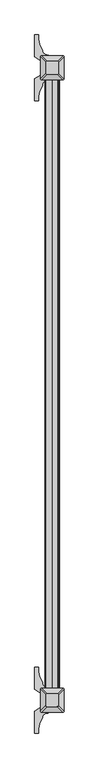
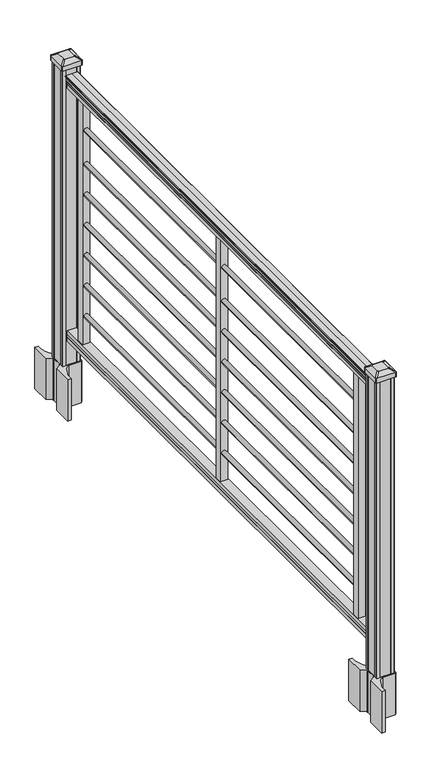
"""IFC4 building model written with IfcOpenShell, lengths in millimetres: railing geometry."""

from ifc_helpers import new_model, si_unit, point, frame, frame_2d, origin, origin_with_axes, place, context, project, spatial, polyline, circle_curve, trimmed, segment, composite_curve, outline, extrude, source, transform, mapped, element, save
from ifc_brep_helpers import plane_surface, extruded_surface, advanced_brep


def railing_204e7a7a(model_context):
    return source(origin(), model_context, "Body", "SolidModel", [
        extrude(outline(composite_curve([segment(polyline([(1043.8143297, 2185.0080205), (1045.702412, 2185.0080205)]), True, "CONTINUOUS"), segment(trimmed(circle_curve(frame_2d((1051.4606383, 2178.6932672)), 8.545951), [point((1045.702412, 2185.0080205))], [point((1047.2646695, 2186.1382068))], False, "CARTESIAN"), True, "CONTINUOUS"), segment(trimmed(circle_curve(frame_2d((1050.8736577, 2179.1303302)), 7.882584), [point((1047.2646695, 2186.1382068))], [point((1054.4826458, 2186.1382068))], False, "CARTESIAN"), True, "CONTINUOUS"), segment(trimmed(circle_curve(frame_2d((1056.7212527, 2189.6436543)), 4.1592695), [point((1054.4826458, 2186.1382068))], [point((1056.9160812, 2185.4889504))], True, "CARTESIAN"), True, "CONTINUOUS"), segment(trimmed(circle_curve(frame_2d((1056.6608864, 2190.9309609)), 5.4479907), [point((1056.9160812, 2185.4889504))], [point((1061.2462083, 2187.9889504))], True, "CARTESIAN"), True, "CONTINUOUS"), segment(trimmed(circle_curve(frame_2d((1061.243395, 2189.6978025)), 1.7088543), [point((1061.2462083, 2187.9889504))], [point((1062.9257972, 2189.3982929))], True, "CARTESIAN"), True, "CONTINUOUS"), segment(trimmed(circle_curve(frame_2d((1064.0305318, 2188.0809024)), 1.7192895), [point((1062.9257972, 2189.3982929))], [point((1064.0305318, 2189.8001919))], False, "CARTESIAN"), True, "CONTINUOUS"), segment(polyline([(1064.0305318, 2189.8001919), (1065.3708158, 2189.8001918)]), True, "CONTINUOUS"), segment(trimmed(circle_curve(frame_2d((1065.3708158, 2188.2467446)), 1.5534472), [point((1065.3708158, 2189.8001918))], [point((1066.924263, 2188.2467446))], False, "CARTESIAN"), True, "CONTINUOUS"), segment(polyline([(1066.924263, 2188.2467446), (1066.924263, 2167.5751918), (1066.924263, 2146.903639)]), True, "CONTINUOUS"), segment(trimmed(circle_curve(frame_2d((1065.3708158, 2146.903639)), 1.5534472), [point((1066.924263, 2146.903639))], [point((1065.3708158, 2145.3501918))], False, "CARTESIAN"), True, "CONTINUOUS"), segment(polyline([(1065.3708158, 2145.3501918), (1064.0305318, 2145.3501918)]), True, "CONTINUOUS"), segment(trimmed(circle_curve(frame_2d((1064.0305318, 2147.0694812)), 1.7192895), [point((1064.0305318, 2145.3501918))], [point((1062.9257972, 2145.7520907))], False, "CARTESIAN"), True, "CONTINUOUS"), segment(trimmed(circle_curve(frame_2d((1061.243395, 2145.4525811)), 1.7088543), [point((1062.9257972, 2145.7520907))], [point((1061.2462083, 2147.1614332))], True, "CARTESIAN"), True, "CONTINUOUS"), segment(trimmed(circle_curve(frame_2d((1056.6608864, 2144.2194227)), 5.4479907), [point((1061.2462083, 2147.1614332))], [point((1056.9160812, 2149.6614332))], True, "CARTESIAN"), True, "CONTINUOUS"), segment(trimmed(circle_curve(frame_2d((1056.7212527, 2145.5067292)), 4.1592695), [point((1056.9160812, 2149.6614332))], [point((1054.4826458, 2149.0121768))], True, "CARTESIAN"), True, "CONTINUOUS"), segment(trimmed(circle_curve(frame_2d((1050.8736577, 2156.0200534)), 7.882584), [point((1054.4826458, 2149.0121768))], [point((1047.2646695, 2149.0121768))], False, "CARTESIAN"), True, "CONTINUOUS"), segment(trimmed(circle_curve(frame_2d((1051.4606383, 2156.4571163)), 8.545951), [point((1047.2646695, 2149.0121768))], [point((1045.702412, 2150.1423631))], False, "CARTESIAN"), True, "CONTINUOUS"), segment(polyline([(1045.702412, 2150.1423631), (1043.8143297, 2150.1423631)]), True, "CONTINUOUS"), segment(trimmed(circle_curve(frame_2d((1043.8143297, 2151.4292774)), 1.2869144), [point((1043.8143297, 2150.1423631))], [point((1043.8143297, 2152.7161918))], False, "CARTESIAN"), True, "CONTINUOUS"), segment(polyline([(1043.8143297, 2152.7161918), (1033.3148283, 2152.7161918), (1032.2988283, 2151.7001918), (1019.81, 2151.7001918), (1019.81, 2183.4501918), (1032.141013, 2183.4501918), (1033.157013, 2182.4341918), (1043.8143297, 2182.4341918)]), True, "CONTINUOUS"), segment(trimmed(circle_curve(frame_2d((1043.8143297, 2183.7211062)), 1.2869144), [point((1043.8143297, 2182.4341918))], [point((1043.8143297, 2185.0080205))], False, "CARTESIAN"), True, "CONTINUOUS")], self_intersect=False)), frame((0.0, -141185.4908968, 0.0), z_axis=(0.0, 1.0, 0.0), x_axis=(0.0, 0.0, 1.0)), (0.0, 0.0, 1.0), 1828.8),
        extrude(outline(polyline([(100.9461976, 2183.4876787), (102.2466183, 2182.4716787), (112.6061717, 2182.4716787), (113.9544492, 2183.4876787), (126.4878781, 2183.4876787), (126.4878781, 2151.7376787), (113.9378024, 2151.7376787), (112.5895248, 2152.7536787), (102.2778283, 2152.7536787), (100.9295508, 2151.7376787), (88.392, 2151.7376787), (88.392, 2183.4876787), (100.9461976, 2183.4876787)])), frame((0.0, -141185.4908968, 0.0), z_axis=(0.0, 1.0, 0.0), x_axis=(0.0, 0.0, 1.0)), (0.0, 0.0, 1.0), 1828.8),
        extrude(outline(polyline([(2180.2751918, -139444.5748968), (2154.8751918, -139444.5748968), (2154.8751918, -139419.1748968), (2180.2751918, -139419.1748968), (2180.2751918, -139444.5748968)])), frame((0.0, 0.0, 126.4878781), z_axis=(0.0, 0.0, 1.0), x_axis=(1.0, 0.0, 0.0)), (0.0, 0.0, 1.0), 893.3221219),
        extrude(outline(composite_curve([segment(trimmed(circle_curve(frame_2d((913.5068781, 2167.2650299)), 8.001), [point((913.5068781, 2159.2640299))], [point((913.5068781, 2175.2660299))], False, "CARTESIAN"), True, "CONTINUOUS"), segment(trimmed(circle_curve(frame_2d((913.5068781, 2167.2650299)), 8.001), [point((913.5068781, 2175.2660299))], [point((913.5068781, 2159.2640299))], False, "CARTESIAN"), True, "CONTINUOUS")], self_intersect=False)), frame((0.0, -140253.3108968, 0.0), z_axis=(0.0, 1.0, 0.0), x_axis=(0.0, 0.0, 1.0)), (0.0, 0.0, 1.0), 812.8),
        extrude(outline(composite_curve([segment(trimmed(circle_curve(frame_2d((789.0468781, 2167.2650299)), 8.001), [point((789.0468781, 2159.2640299))], [point((789.0468781, 2175.2660299))], False, "CARTESIAN"), True, "CONTINUOUS"), segment(trimmed(circle_curve(frame_2d((789.0468781, 2167.2650299)), 8.001), [point((789.0468781, 2175.2660299))], [point((789.0468781, 2159.2640299))], False, "CARTESIAN"), True, "CONTINUOUS")], self_intersect=False)), frame((0.0, -140253.3108968, 0.0), z_axis=(0.0, 1.0, 0.0), x_axis=(0.0, 0.0, 1.0)), (0.0, 0.0, 1.0), 812.8),
        extrude(outline(composite_curve([segment(trimmed(circle_curve(frame_2d((677.2868781, 2167.2650299)), 8.001), [point((677.2868781, 2159.2640299))], [point((677.2868781, 2175.2660299))], False, "CARTESIAN"), True, "CONTINUOUS"), segment(trimmed(circle_curve(frame_2d((677.2868781, 2167.2650299)), 8.001), [point((677.2868781, 2175.2660299))], [point((677.2868781, 2159.2640299))], False, "CARTESIAN"), True, "CONTINUOUS")], self_intersect=False)), frame((0.0, -140253.3108968, 0.0), z_axis=(0.0, 1.0, 0.0), x_axis=(0.0, 0.0, 1.0)), (0.0, 0.0, 1.0), 812.8),
        extrude(outline(composite_curve([segment(trimmed(circle_curve(frame_2d((565.5268781, 2167.2650299)), 8.001), [point((565.5268781, 2159.2640299))], [point((565.5268781, 2175.2660299))], False, "CARTESIAN"), True, "CONTINUOUS"), segment(trimmed(circle_curve(frame_2d((565.5268781, 2167.2650299)), 8.001), [point((565.5268781, 2175.2660299))], [point((565.5268781, 2159.2640299))], False, "CARTESIAN"), True, "CONTINUOUS")], self_intersect=False)), frame((0.0, -140253.3108968, 0.0), z_axis=(0.0, 1.0, 0.0), x_axis=(0.0, 0.0, 1.0)), (0.0, 0.0, 1.0), 812.8),
        extrude(outline(composite_curve([segment(trimmed(circle_curve(frame_2d((453.7668781, 2167.2650299)), 8.001), [point((453.7668781, 2159.2640299))], [point((453.7668781, 2175.2660299))], False, "CARTESIAN"), True, "CONTINUOUS"), segment(trimmed(circle_curve(frame_2d((453.7668781, 2167.2650299)), 8.001), [point((453.7668781, 2175.2660299))], [point((453.7668781, 2159.2640299))], False, "CARTESIAN"), True, "CONTINUOUS")], self_intersect=False)), frame((0.0, -140253.3108968, 0.0), z_axis=(0.0, 1.0, 0.0), x_axis=(0.0, 0.0, 1.0)), (0.0, 0.0, 1.0), 812.8),
        extrude(outline(composite_curve([segment(trimmed(circle_curve(frame_2d((342.0068781, 2167.2650299)), 8.001), [point((342.0068781, 2159.2640299))], [point((342.0068781, 2175.2660299))], False, "CARTESIAN"), True, "CONTINUOUS"), segment(trimmed(circle_curve(frame_2d((342.0068781, 2167.2650299)), 8.001), [point((342.0068781, 2175.2660299))], [point((342.0068781, 2159.2640299))], False, "CARTESIAN"), True, "CONTINUOUS")], self_intersect=False)), frame((0.0, -140253.3108968, 0.0), z_axis=(0.0, 1.0, 0.0), x_axis=(0.0, 0.0, 1.0)), (0.0, 0.0, 1.0), 812.8),
        extrude(outline(composite_curve([segment(trimmed(circle_curve(frame_2d((230.2468781, 2167.2650299)), 8.001), [point((230.2468781, 2159.2640299))], [point((230.2468781, 2175.2660299))], False, "CARTESIAN"), True, "CONTINUOUS"), segment(trimmed(circle_curve(frame_2d((230.2468781, 2167.2650299)), 8.001), [point((230.2468781, 2175.2660299))], [point((230.2468781, 2159.2640299))], False, "CARTESIAN"), True, "CONTINUOUS")], self_intersect=False)), frame((0.0, -140253.3108968, 0.0), z_axis=(0.0, 1.0, 0.0), x_axis=(0.0, 0.0, 1.0)), (0.0, 0.0, 1.0), 812.8),
        extrude(outline(polyline([(2180.2751918, -140274.6468968), (2154.8751918, -140274.6468968), (2154.8751918, -140249.2468968), (2180.2751918, -140249.2468968), (2180.2751918, -140274.6468968)])), frame((0.0, 0.0, 126.4878781), z_axis=(0.0, 0.0, 1.0), x_axis=(1.0, 0.0, 0.0)), (0.0, 0.0, 1.0), 893.3221219),
        extrude(outline(composite_curve([segment(trimmed(circle_curve(frame_2d((913.5068781, 2167.2650299)), 8.001), [point((913.5068781, 2159.2640299))], [point((913.5068781, 2175.2660299))], False, "CARTESIAN"), True, "CONTINUOUS"), segment(trimmed(circle_curve(frame_2d((913.5068781, 2167.2650299)), 8.001), [point((913.5068781, 2175.2660299))], [point((913.5068781, 2159.2640299))], False, "CARTESIAN"), True, "CONTINUOUS")], self_intersect=False)), frame((0.0, -141083.3828968, 0.0), z_axis=(0.0, 1.0, 0.0), x_axis=(0.0, 0.0, 1.0)), (0.0, 0.0, 1.0), 812.8),
        extrude(outline(composite_curve([segment(trimmed(circle_curve(frame_2d((789.0468781, 2167.2650299)), 8.001), [point((789.0468781, 2159.2640299))], [point((789.0468781, 2175.2660299))], False, "CARTESIAN"), True, "CONTINUOUS"), segment(trimmed(circle_curve(frame_2d((789.0468781, 2167.2650299)), 8.001), [point((789.0468781, 2175.2660299))], [point((789.0468781, 2159.2640299))], False, "CARTESIAN"), True, "CONTINUOUS")], self_intersect=False)), frame((0.0, -141083.3828968, 0.0), z_axis=(0.0, 1.0, 0.0), x_axis=(0.0, 0.0, 1.0)), (0.0, 0.0, 1.0), 812.8),
        extrude(outline(composite_curve([segment(trimmed(circle_curve(frame_2d((677.2868781, 2167.2650299)), 8.001), [point((677.2868781, 2159.2640299))], [point((677.2868781, 2175.2660299))], False, "CARTESIAN"), True, "CONTINUOUS"), segment(trimmed(circle_curve(frame_2d((677.2868781, 2167.2650299)), 8.001), [point((677.2868781, 2175.2660299))], [point((677.2868781, 2159.2640299))], False, "CARTESIAN"), True, "CONTINUOUS")], self_intersect=False)), frame((0.0, -141083.3828968, 0.0), z_axis=(0.0, 1.0, 0.0), x_axis=(0.0, 0.0, 1.0)), (0.0, 0.0, 1.0), 812.8),
        extrude(outline(composite_curve([segment(trimmed(circle_curve(frame_2d((565.5268781, 2167.2650299)), 8.001), [point((565.5268781, 2159.2640299))], [point((565.5268781, 2175.2660299))], False, "CARTESIAN"), True, "CONTINUOUS"), segment(trimmed(circle_curve(frame_2d((565.5268781, 2167.2650299)), 8.001), [point((565.5268781, 2175.2660299))], [point((565.5268781, 2159.2640299))], False, "CARTESIAN"), True, "CONTINUOUS")], self_intersect=False)), frame((0.0, -141083.3828968, 0.0), z_axis=(0.0, 1.0, 0.0), x_axis=(0.0, 0.0, 1.0)), (0.0, 0.0, 1.0), 812.8),
        extrude(outline(composite_curve([segment(trimmed(circle_curve(frame_2d((453.7668781, 2167.2650299)), 8.001), [point((453.7668781, 2159.2640299))], [point((453.7668781, 2175.2660299))], False, "CARTESIAN"), True, "CONTINUOUS"), segment(trimmed(circle_curve(frame_2d((453.7668781, 2167.2650299)), 8.001), [point((453.7668781, 2175.2660299))], [point((453.7668781, 2159.2640299))], False, "CARTESIAN"), True, "CONTINUOUS")], self_intersect=False)), frame((0.0, -141083.3828968, 0.0), z_axis=(0.0, 1.0, 0.0), x_axis=(0.0, 0.0, 1.0)), (0.0, 0.0, 1.0), 812.8),
        extrude(outline(composite_curve([segment(trimmed(circle_curve(frame_2d((342.0068781, 2167.2650299)), 8.001), [point((342.0068781, 2159.2640299))], [point((342.0068781, 2175.2660299))], False, "CARTESIAN"), True, "CONTINUOUS"), segment(trimmed(circle_curve(frame_2d((342.0068781, 2167.2650299)), 8.001), [point((342.0068781, 2175.2660299))], [point((342.0068781, 2159.2640299))], False, "CARTESIAN"), True, "CONTINUOUS")], self_intersect=False)), frame((0.0, -141083.3828968, 0.0), z_axis=(0.0, 1.0, 0.0), x_axis=(0.0, 0.0, 1.0)), (0.0, 0.0, 1.0), 812.8),
        extrude(outline(composite_curve([segment(trimmed(circle_curve(frame_2d((230.2468781, 2167.2650299)), 8.001), [point((230.2468781, 2159.2640299))], [point((230.2468781, 2175.2660299))], False, "CARTESIAN"), True, "CONTINUOUS"), segment(trimmed(circle_curve(frame_2d((230.2468781, 2167.2650299)), 8.001), [point((230.2468781, 2175.2660299))], [point((230.2468781, 2159.2640299))], False, "CARTESIAN"), True, "CONTINUOUS")], self_intersect=False)), frame((0.0, -141083.3828968, 0.0), z_axis=(0.0, 1.0, 0.0), x_axis=(0.0, 0.0, 1.0)), (0.0, 0.0, 1.0), 812.8),
        extrude(outline(polyline([(2180.2751918, -141104.7188968), (2154.8751918, -141104.7188968), (2154.8751918, -141079.3188968), (2180.2751918, -141079.3188968), (2180.2751918, -141104.7188968)])), frame((0.0, 0.0, 126.4878781), z_axis=(0.0, 0.0, 1.0), x_axis=(1.0, 0.0, 0.0)), (0.0, 0.0, 1.0), 893.3221219),
        extrude(outline(composite_curve([segment(polyline([(2200.6269418, -139342.0729917), (2202.2144418, -139342.8349917), (2202.2144418, -139356.3659198), (2199.0002147, -139359.5801468), (2147.3195439, -139359.5801468), (2147.3195439, -139360.5008968), (2151.6698751, -139360.5008968), (2151.6698751, -139361.9551515), (2146.5853454, -139361.9551515), (2146.5853454, -139363.2391753), (2154.3760575, -139363.2391753)]), True, "CONTINUOUS"), segment(trimmed(circle_curve(frame_2d((2154.3760575, -139379.9823852)), 16.7432099), [point((2154.3760575, -139363.2391753))], [point((2137.7539352, -139377.9723785))], True, "CARTESIAN"), True, "CONTINUOUS"), segment(polyline([(2137.7539352, -139377.9723785), (2130.038491, -139395.007717)]), True, "CONTINUOUS"), segment(trimmed(circle_curve(frame_2d((2175.1392543, -139411.2797666)), 47.9464123), [point((2130.038491, -139395.007717))], [point((2127.192842, -139411.2797666))], True, "CARTESIAN"), True, "CONTINUOUS"), segment(polyline([(2127.192842, -139411.2797666), (2127.192842, -139423.2885062), (2114.9892543, -139423.2885062), (2114.9892543, -139357.9926468), (2132.9359418, -139346.4162305), (2132.9359418, -139342.8349917), (2134.5234418, -139342.0729917), (2134.5234418, -139307.808802), (2132.9359418, -139307.046802), (2132.9359418, -139303.4655632), (2114.9892543, -139291.8891468), (2114.9892543, -139226.5932875), (2127.192842, -139226.5932875), (2127.192842, -139238.602027)]), True, "CONTINUOUS"), segment(trimmed(circle_curve(frame_2d((2175.1392543, -139238.602027)), 47.9464123), [point((2127.192842, -139238.602027))], [point((2130.038491, -139254.8740767))], True, "CARTESIAN"), True, "CONTINUOUS"), segment(polyline([(2130.038491, -139254.8740767), (2137.7539352, -139271.9094151)]), True, "CONTINUOUS"), segment(trimmed(circle_curve(frame_2d((2154.3760575, -139269.8994085)), 16.7432099), [point((2137.7539352, -139271.9094151))], [point((2154.3760575, -139286.6426183))], True, "CARTESIAN"), True, "CONTINUOUS"), segment(polyline([(2154.3760575, -139286.6426183), (2156.0433298, -139286.6426183), (2156.0433298, -139287.9266421), (2151.6698751, -139287.9266421), (2151.6698751, -139289.3808968), (2147.3195439, -139289.3808968), (2147.3195439, -139290.3016468), (2199.0002147, -139290.3016468), (2202.2144418, -139293.5158739), (2202.2144418, -139307.046802), (2200.6269418, -139307.808802), (2200.6269418, -139342.0729917)]), True, "CONTINUOUS")], self_intersect=False), holes=[polyline([(2135.8251918, -139294.7783968), (2135.8251918, -139355.1033968), (2137.4126918, -139356.6908968), (2164.8119744, -139356.6908968), (2197.7376918, -139356.6908968), (2199.3251918, -139355.1033968), (2199.3251918, -139294.7783968), (2197.7376918, -139293.1908968), (2164.8119744, -139293.1908968), (2137.4126918, -139293.1908968), (2135.8251918, -139294.7783968)])]), frame((0.0, 0.0, -152.4), z_axis=(0.0, 0.0, 1.0), x_axis=(1.0, 0.0, 0.0)), (0.0, 0.0, 1.0), 152.4),
        advanced_brep(
        [(2151.7001918, -139343.9908968, 1118.235), (2183.4501918, -139343.9908968, 1118.235), (2186.6251918, -139340.8158968, 1118.235), (2186.6251918, -139309.0658968, 1118.235), (2183.4501918, -139305.8908968, 1118.235), (2151.7001918, -139305.8908968, 1118.235), (2148.5251918, -139309.0658968, 1118.235), (2148.5251918, -139340.8158968, 1118.235), (2135.1901918, -139360.5008968, 1106.932), (2132.0151918, -139357.3258968, 1106.932), (2132.0151918, -139292.5558968, 1106.932), (2135.1901918, -139289.3808968, 1106.932), (2199.9601918, -139289.3808968, 1106.932), (2203.1351918, -139292.5558968, 1106.932), (2203.1351918, -139357.3258968, 1106.932), (2199.9601918, -139360.5008968, 1106.932)],
        [
            (0, 1),
            (1, 2, circle_curve(frame((2183.4501918, -139340.8158968, 1118.235), z_axis=(0.0, 0.0, 1.0), x_axis=(0.0, 1.0, 0.0)), 3.175)),
            (2, 3),
            (3, 4, circle_curve(frame((2183.4501918, -139309.0658968, 1118.235), z_axis=(0.0, 0.0, 1.0), x_axis=(0.0, 1.0, 0.0)), 3.175)),
            (4, 5),
            (5, 6, circle_curve(frame((2151.7001918, -139309.0658968, 1118.235), z_axis=(0.0, 0.0, 1.0), x_axis=(0.0, 1.0, 0.0)), 3.175)),
            (6, 7),
            (7, 0, circle_curve(frame((2151.7001918, -139340.8158968, 1118.235), z_axis=(0.0, 0.0, 1.0), x_axis=(0.0, 1.0, 0.0)), 3.175)),
            (8, 9, circle_curve(frame((2135.1901918, -139357.3258968, 1106.932), z_axis=(0.0, 0.0, -1.0), x_axis=(0.0, 1.0, 0.0)), 3.175)),
            (9, 10),
            (10, 11, circle_curve(frame((2135.1901918, -139292.5558968, 1106.932), z_axis=(0.0, 0.0, -1.0), x_axis=(0.0, 1.0, 0.0)), 3.175)),
            (11, 12),
            (12, 13, circle_curve(frame((2199.9601918, -139292.5558968, 1106.932), z_axis=(0.0, 0.0, -1.0), x_axis=(0.0, 1.0, 0.0)), 3.175)),
            (13, 14),
            (14, 15, circle_curve(frame((2199.9601918, -139357.3258968, 1106.932), z_axis=(0.0, 0.0, -1.0), x_axis=(0.0, 1.0, 0.0)), 3.175)),
            (15, 8),
            (8, 0),
            (7, 9),
            (6, 10),
            (5, 11),
            (4, 12),
            (3, 13),
            (2, 14),
            (1, 15),
        ],
        [
            plane_surface(frame((2167.5751918, -139324.9408968, 1118.235), z_axis=(0.0, 0.0, 1.0), x_axis=(-1.0, 0.0, 0.0))),
            plane_surface(frame((2167.5751918, -139324.9408968, 1106.932), z_axis=(0.0, 0.0, -1.0), x_axis=(-1.0, 0.0, 0.0))),
            extruded_surface(trimmed(circle_curve(frame((2151.7001918, -139340.8158968, 1118.235), z_axis=(0.0, 0.0, -1.0), x_axis=(0.0, 1.0, 0.0)), 3.175), [point((2151.7001918, -139343.9908968, 1118.235))], [point((2148.5251918, -139340.8158968, 1118.235))], True, "CARTESIAN"), (-16.51000000000022, -16.510000000009313, -11.302999999999884), 25.940663233624388),
            plane_surface(frame((2132.0151918, -139324.9408968, 1106.932), z_axis=(-0.5649114395471265, 0.0, 0.8251515409116033), x_axis=(0.0, 1.0, 0.0))),
            extruded_surface(trimmed(circle_curve(frame((2151.7001918, -139309.0658968, 1118.235), z_axis=(0.0, 0.0, -1.0), x_axis=(0.0, 1.0, 0.0)), 3.175), [point((2148.5251918, -139309.0658968, 1118.235))], [point((2151.7001918, -139305.8908968, 1118.235))], True, "CARTESIAN"), (-16.51000000000022, 16.50999999998021, -11.302999999999884), 25.940663233605864),
            plane_surface(frame((2167.5751918, -139289.3808968, 1106.932), z_axis=(0.0, 0.564911439547091, 0.8251515409116277), x_axis=(1.0, 0.0, 0.0))),
            extruded_surface(trimmed(circle_curve(frame((2183.4501918, -139309.0658968, 1118.235), z_axis=(0.0, 0.0, -1.0), x_axis=(0.0, 1.0, 0.0)), 3.175), [point((2183.4501918, -139305.8908968, 1118.235))], [point((2186.6251918, -139309.0658968, 1118.235))], True, "CARTESIAN"), (16.509999999999764, 16.50999999998021, -11.302999999999884), 25.940663233605576),
            plane_surface(frame((2203.1351918, -139324.9408968, 1106.932), z_axis=(0.5649114395470568, 0.0, 0.825151540911651), x_axis=(0.0, -1.0, 0.0))),
            extruded_surface(trimmed(circle_curve(frame((2183.4501918, -139340.8158968, 1118.235), z_axis=(0.0, 0.0, -1.0), x_axis=(0.0, 1.0, 0.0)), 3.175), [point((2186.6251918, -139340.8158968, 1118.235))], [point((2183.4501918, -139343.9908968, 1118.235))], True, "CARTESIAN"), (16.509999999999764, -16.510000000009313, -11.302999999999884), 25.940663233624097),
            plane_surface(frame((2167.5751918, -139360.5008968, 1106.932), z_axis=(0.0, -0.5649114395471048, 0.8251515409116182), x_axis=(-1.0, 0.0, 0.0))),
        ],
        [
            (0, [[1, 2, 3, 4, 5, 6, 7, 8]]),
            (1, [[9, 10, 11, 12, 13, 14, 15, 16]]),
            (2, [[17, -8, 18, -9]]),
            (3, [[-18, -7, 19, -10]]),
            (4, [[-19, -6, 20, -11]]),
            (5, [[-20, -5, 21, -12]]),
            (6, [[-21, -4, 22, -13]]),
            (7, [[-22, -3, 23, -14]]),
            (8, [[-23, -2, 24, -15]]),
            (9, [[-24, -1, -17, -16]]),
        ],
    ),
        extrude(outline(composite_curve([segment(trimmed(circle_curve(frame_2d((2135.1901918, -139357.3258968)), 3.175), [point((2135.1901918, -139360.5008968))], [point((2132.0151918, -139357.3258968))], False, "CARTESIAN"), True, "CONTINUOUS"), segment(polyline([(2132.0151918, -139357.3258968), (2132.0151918, -139292.5558968)]), True, "CONTINUOUS"), segment(trimmed(circle_curve(frame_2d((2135.1901918, -139292.5558968)), 3.175), [point((2132.0151918, -139292.5558968))], [point((2135.1901918, -139289.3808968))], False, "CARTESIAN"), True, "CONTINUOUS"), segment(polyline([(2135.1901918, -139289.3808968), (2199.9601918, -139289.3808968)]), True, "CONTINUOUS"), segment(trimmed(circle_curve(frame_2d((2199.9601918, -139292.5558968)), 3.175), [point((2199.9601918, -139289.3808968))], [point((2203.1351918, -139292.5558968))], False, "CARTESIAN"), True, "CONTINUOUS"), segment(polyline([(2203.1351918, -139292.5558968), (2203.1351918, -139357.3258968)]), True, "CONTINUOUS"), segment(trimmed(circle_curve(frame_2d((2199.9601918, -139357.3258968)), 3.175), [point((2203.1351918, -139357.3258968))], [point((2199.9601918, -139360.5008968))], False, "CARTESIAN"), True, "CONTINUOUS"), segment(polyline([(2199.9601918, -139360.5008968), (2135.1901918, -139360.5008968)]), True, "CONTINUOUS")], self_intersect=False)), frame((0.0, 0.0, 1089.66), z_axis=(0.0, 0.0, 1.0), x_axis=(1.0, 0.0, 0.0)), (0.0, 0.0, 1.0), 17.272),
        extrude(outline(polyline([(2137.4126918, -139356.6908968), (2135.8251918, -139355.1033968), (2135.8251918, -139344.7528968), (2137.4126918, -139343.9908968), (2137.4126918, -139305.8908968), (2135.8251918, -139305.1288968), (2135.8251918, -139294.7783968), (2137.4126918, -139293.1908968), (2147.7631918, -139293.1908968), (2148.5251918, -139294.7783968), (2186.6251918, -139294.7783968), (2187.3871918, -139293.1908968), (2197.7376918, -139293.1908968), (2199.3251918, -139294.7783968), (2199.3251918, -139305.1288968), (2197.7376918, -139305.8908968), (2197.7376918, -139343.9908968), (2199.3251918, -139344.7528968), (2199.3251918, -139355.1033968), (2197.7376918, -139356.6908968), (2187.3871918, -139356.6908968), (2186.6251918, -139355.1033968), (2148.5251918, -139355.1033968), (2147.7631918, -139356.6908968), (2137.4126918, -139356.6908968)])), origin_with_axes(), (0.0, 0.0, 1.0), 1089.66),
        extrude(outline(composite_curve([segment(polyline([(2200.6269418, -141234.3729917), (2202.2144418, -141235.1349917), (2202.2144418, -141248.6659198), (2199.0002147, -141251.8801468), (2147.3195439, -141251.8801468), (2147.3195439, -141252.8008968), (2151.6698751, -141252.8008968), (2151.6698751, -141254.2551515), (2146.5853454, -141254.2551515), (2146.5853454, -141255.5391753), (2154.3760575, -141255.5391753)]), True, "CONTINUOUS"), segment(trimmed(circle_curve(frame_2d((2154.3760575, -141272.2823852)), 16.7432099), [point((2154.3760575, -141255.5391753))], [point((2137.7539352, -141270.2723785))], True, "CARTESIAN"), True, "CONTINUOUS"), segment(polyline([(2137.7539352, -141270.2723785), (2130.038491, -141287.307717)]), True, "CONTINUOUS"), segment(trimmed(circle_curve(frame_2d((2175.1392543, -141303.5797666)), 47.9464123), [point((2130.038491, -141287.307717))], [point((2127.192842, -141303.5797666))], True, "CARTESIAN"), True, "CONTINUOUS"), segment(polyline([(2127.192842, -141303.5797666), (2127.192842, -141315.5885062), (2114.9892543, -141315.5885062), (2114.9892543, -141250.2926468), (2132.9359418, -141238.7162305), (2132.9359418, -141235.1349917), (2134.5234418, -141234.3729917), (2134.5234418, -141200.108802), (2132.9359418, -141199.346802), (2132.9359418, -141195.7655632), (2114.9892543, -141184.1891468), (2114.9892543, -141118.8932875), (2127.192842, -141118.8932875), (2127.192842, -141130.902027)]), True, "CONTINUOUS"), segment(trimmed(circle_curve(frame_2d((2175.1392543, -141130.902027)), 47.9464123), [point((2127.192842, -141130.902027))], [point((2130.038491, -141147.1740767))], True, "CARTESIAN"), True, "CONTINUOUS"), segment(polyline([(2130.038491, -141147.1740767), (2137.7539352, -141164.2094151)]), True, "CONTINUOUS"), segment(trimmed(circle_curve(frame_2d((2154.3760575, -141162.1994085)), 16.7432099), [point((2137.7539352, -141164.2094151))], [point((2154.3760575, -141178.9426183))], True, "CARTESIAN"), True, "CONTINUOUS"), segment(polyline([(2154.3760575, -141178.9426183), (2156.0433298, -141178.9426183), (2156.0433298, -141180.2266421), (2151.6698751, -141180.2266421), (2151.6698751, -141181.6808968), (2147.3195439, -141181.6808968), (2147.3195439, -141182.6016468), (2199.0002147, -141182.6016468), (2202.2144418, -141185.8158739), (2202.2144418, -141199.346802), (2200.6269418, -141200.108802), (2200.6269418, -141234.3729917)]), True, "CONTINUOUS")], self_intersect=False), holes=[polyline([(2135.8251918, -141187.0783968), (2135.8251918, -141247.4033968), (2137.4126918, -141248.9908968), (2164.8119744, -141248.9908968), (2197.7376918, -141248.9908968), (2199.3251918, -141247.4033968), (2199.3251918, -141187.0783968), (2197.7376918, -141185.4908968), (2164.8119744, -141185.4908968), (2137.4126918, -141185.4908968), (2135.8251918, -141187.0783968)])]), frame((0.0, 0.0, -152.4), z_axis=(0.0, 0.0, 1.0), x_axis=(1.0, 0.0, 0.0)), (0.0, 0.0, 1.0), 152.4),
        advanced_brep(
        [(2151.7001918, -141236.2908968, 1118.235), (2183.4501918, -141236.2908968, 1118.235), (2186.6251918, -141233.1158968, 1118.235), (2186.6251918, -141201.3658968, 1118.235), (2183.4501918, -141198.1908968, 1118.235), (2151.7001918, -141198.1908968, 1118.235), (2148.5251918, -141201.3658968, 1118.235), (2148.5251918, -141233.1158968, 1118.235), (2135.1901918, -141252.8008968, 1106.932), (2132.0151918, -141249.6258968, 1106.932), (2132.0151918, -141184.8558968, 1106.932), (2135.1901918, -141181.6808968, 1106.932), (2199.9601918, -141181.6808968, 1106.932), (2203.1351918, -141184.8558968, 1106.932), (2203.1351918, -141249.6258968, 1106.932), (2199.9601918, -141252.8008968, 1106.932)],
        [
            (0, 1),
            (1, 2, circle_curve(frame((2183.4501918, -141233.1158968, 1118.235), z_axis=(0.0, 0.0, 1.0), x_axis=(0.0, 1.0, 0.0)), 3.175)),
            (2, 3),
            (3, 4, circle_curve(frame((2183.4501918, -141201.3658968, 1118.235), z_axis=(0.0, 0.0, 1.0), x_axis=(0.0, 1.0, 0.0)), 3.175)),
            (4, 5),
            (5, 6, circle_curve(frame((2151.7001918, -141201.3658968, 1118.235), z_axis=(0.0, 0.0, 1.0), x_axis=(0.0, 1.0, 0.0)), 3.175)),
            (6, 7),
            (7, 0, circle_curve(frame((2151.7001918, -141233.1158968, 1118.235), z_axis=(0.0, 0.0, 1.0), x_axis=(0.0, 1.0, 0.0)), 3.175)),
            (8, 9, circle_curve(frame((2135.1901918, -141249.6258968, 1106.932), z_axis=(0.0, 0.0, -1.0), x_axis=(0.0, 1.0, 0.0)), 3.175)),
            (9, 10),
            (10, 11, circle_curve(frame((2135.1901918, -141184.8558968, 1106.932), z_axis=(0.0, 0.0, -1.0), x_axis=(0.0, 1.0, 0.0)), 3.175)),
            (11, 12),
            (12, 13, circle_curve(frame((2199.9601918, -141184.8558968, 1106.932), z_axis=(0.0, 0.0, -1.0), x_axis=(0.0, 1.0, 0.0)), 3.175)),
            (13, 14),
            (14, 15, circle_curve(frame((2199.9601918, -141249.6258968, 1106.932), z_axis=(0.0, 0.0, -1.0), x_axis=(0.0, 1.0, 0.0)), 3.175)),
            (15, 8),
            (8, 0),
            (7, 9),
            (6, 10),
            (5, 11),
            (4, 12),
            (3, 13),
            (2, 14),
            (1, 15),
        ],
        [
            plane_surface(frame((2167.5751918, -141217.2408968, 1118.235), z_axis=(0.0, 0.0, 1.0), x_axis=(-1.0, 0.0, 0.0))),
            plane_surface(frame((2167.5751918, -141217.2408968, 1106.932), z_axis=(0.0, 0.0, -1.0), x_axis=(-1.0, 0.0, 0.0))),
            extruded_surface(trimmed(circle_curve(frame((2151.7001918, -141233.1158968, 1118.235), z_axis=(0.0, 0.0, -1.0), x_axis=(0.0, 1.0, 0.0)), 3.175), [point((2151.7001918, -141236.2908968, 1118.235))], [point((2148.5251918, -141233.1158968, 1118.235))], True, "CARTESIAN"), (-16.51000000000022, -16.50999999998021, -11.302999999999884), 25.940663233605864),
            plane_surface(frame((2132.0151918, -141217.2408968, 1106.932), z_axis=(-0.5649114395471265, 0.0, 0.8251515409116033), x_axis=(0.0, 1.0, 0.0))),
            extruded_surface(trimmed(circle_curve(frame((2151.7001918, -141201.3658968, 1118.235), z_axis=(0.0, 0.0, -1.0), x_axis=(0.0, 1.0, 0.0)), 3.175), [point((2148.5251918, -141201.3658968, 1118.235))], [point((2151.7001918, -141198.1908968, 1118.235))], True, "CARTESIAN"), (-16.51000000000022, 16.510000000009313, -11.302999999999884), 25.940663233624388),
            plane_surface(frame((2167.5751918, -141181.6808968, 1106.932), z_axis=(0.0, 0.564911439547091, 0.8251515409116277), x_axis=(1.0, 0.0, 0.0))),
            extruded_surface(trimmed(circle_curve(frame((2183.4501918, -141201.3658968, 1118.235), z_axis=(0.0, 0.0, -1.0), x_axis=(0.0, 1.0, 0.0)), 3.175), [point((2183.4501918, -141198.1908968, 1118.235))], [point((2186.6251918, -141201.3658968, 1118.235))], True, "CARTESIAN"), (16.509999999999764, 16.510000000009313, -11.302999999999884), 25.940663233624097),
            plane_surface(frame((2203.1351918, -141217.2408968, 1106.932), z_axis=(0.5649114395470568, 0.0, 0.825151540911651), x_axis=(0.0, -1.0, 0.0))),
            extruded_surface(trimmed(circle_curve(frame((2183.4501918, -141233.1158968, 1118.235), z_axis=(0.0, 0.0, -1.0), x_axis=(0.0, 1.0, 0.0)), 3.175), [point((2186.6251918, -141233.1158968, 1118.235))], [point((2183.4501918, -141236.2908968, 1118.235))], True, "CARTESIAN"), (16.509999999999764, -16.50999999998021, -11.302999999999884), 25.940663233605576),
            plane_surface(frame((2167.5751918, -141252.8008968, 1106.932), z_axis=(0.0, -0.5649114395471048, 0.8251515409116182), x_axis=(-1.0, 0.0, 0.0))),
        ],
        [
            (0, [[1, 2, 3, 4, 5, 6, 7, 8]]),
            (1, [[9, 10, 11, 12, 13, 14, 15, 16]]),
            (2, [[17, -8, 18, -9]]),
            (3, [[-18, -7, 19, -10]]),
            (4, [[-19, -6, 20, -11]]),
            (5, [[-20, -5, 21, -12]]),
            (6, [[-21, -4, 22, -13]]),
            (7, [[-22, -3, 23, -14]]),
            (8, [[-23, -2, 24, -15]]),
            (9, [[-24, -1, -17, -16]]),
        ],
    ),
        extrude(outline(composite_curve([segment(trimmed(circle_curve(frame_2d((2135.1901918, -141249.6258968)), 3.175), [point((2135.1901918, -141252.8008968))], [point((2132.0151918, -141249.6258968))], False, "CARTESIAN"), True, "CONTINUOUS"), segment(polyline([(2132.0151918, -141249.6258968), (2132.0151918, -141184.8558968)]), True, "CONTINUOUS"), segment(trimmed(circle_curve(frame_2d((2135.1901918, -141184.8558968)), 3.175), [point((2132.0151918, -141184.8558968))], [point((2135.1901918, -141181.6808968))], False, "CARTESIAN"), True, "CONTINUOUS"), segment(polyline([(2135.1901918, -141181.6808968), (2199.9601918, -141181.6808968)]), True, "CONTINUOUS"), segment(trimmed(circle_curve(frame_2d((2199.9601918, -141184.8558968)), 3.175), [point((2199.9601918, -141181.6808968))], [point((2203.1351918, -141184.8558968))], False, "CARTESIAN"), True, "CONTINUOUS"), segment(polyline([(2203.1351918, -141184.8558968), (2203.1351918, -141249.6258968)]), True, "CONTINUOUS"), segment(trimmed(circle_curve(frame_2d((2199.9601918, -141249.6258968)), 3.175), [point((2203.1351918, -141249.6258968))], [point((2199.9601918, -141252.8008968))], False, "CARTESIAN"), True, "CONTINUOUS"), segment(polyline([(2199.9601918, -141252.8008968), (2135.1901918, -141252.8008968)]), True, "CONTINUOUS")], self_intersect=False)), frame((0.0, 0.0, 1089.66), z_axis=(0.0, 0.0, 1.0), x_axis=(1.0, 0.0, 0.0)), (0.0, 0.0, 1.0), 17.272),
        extrude(outline(polyline([(2137.4126918, -141248.9908968), (2135.8251918, -141247.4033968), (2135.8251918, -141237.0528968), (2137.4126918, -141236.2908968), (2137.4126918, -141198.1908968), (2135.8251918, -141197.4288968), (2135.8251918, -141187.0783968), (2137.4126918, -141185.4908968), (2147.7631918, -141185.4908968), (2148.5251918, -141187.0783968), (2186.6251918, -141187.0783968), (2187.3871918, -141185.4908968), (2197.7376918, -141185.4908968), (2199.3251918, -141187.0783968), (2199.3251918, -141197.4288968), (2197.7376918, -141198.1908968), (2197.7376918, -141236.2908968), (2199.3251918, -141237.0528968), (2199.3251918, -141247.4033968), (2197.7376918, -141248.9908968), (2187.3871918, -141248.9908968), (2186.6251918, -141247.4033968), (2148.5251918, -141247.4033968), (2147.7631918, -141248.9908968), (2137.4126918, -141248.9908968)])), origin_with_axes(), (0.0, 0.0, 1.0), 1089.66),
    ])


if __name__ == "__main__":
    model = new_model("IFC4")
    model_context = context("Model", 3, world=origin())
    ifc_project = project(units=[si_unit("LENGTHUNIT", "METRE", prefix="MILLI")], contexts=[model_context])
    site = spatial("IfcSite", under=ifc_project)
    building = spatial("IfcBuilding", under=site)
    placement = place(None, origin())
    railing_shape = railing_204e7a7a(model_context)
    element("IfcRailing", 1, at=placement, inside=building, context=model_context, shape_type="MappedRepresentation", body=[
        mapped(railing_shape, transform((0.0, 0.0, 0.0), x_axis=(1.0, 0.0, 0.0), y_axis=(0.0, 1.0, 0.0), z_axis=(0.0, 0.0, 1.0))),
    ])
    save(model, "model.ifc")
